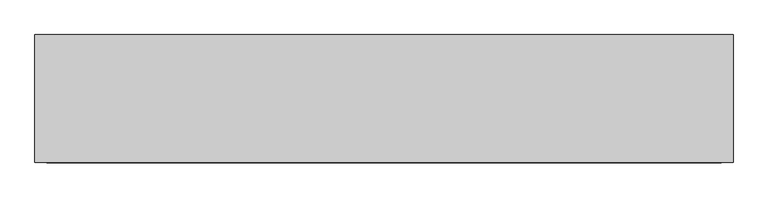
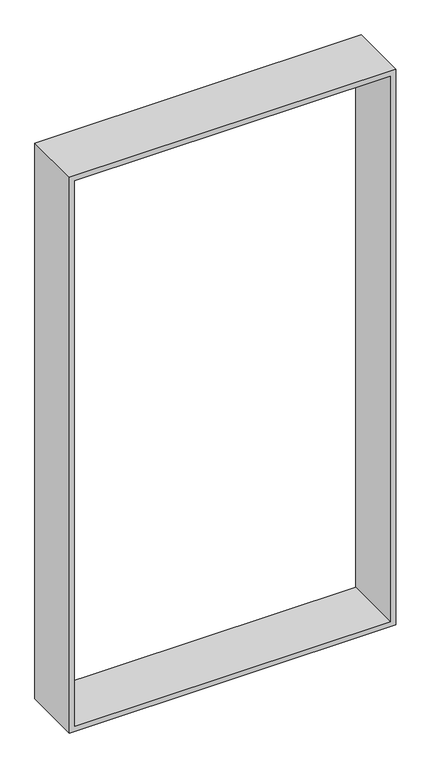
"""IFC4 building model written with IfcOpenShell, lengths in millimetres: proxy geometry."""

from ifc_helpers import new_model, si_unit, frame, origin, place, context, project, spatial, polyline, outline, extrude, source, transform, mapped, element, save


def generic_models_83df59d5(model_context):
    return source(origin(), model_context, "Body", "SweptSolid", [
        extrude(outline(polyline([(2700.0, 0.0), (2700.0, -1500.0), (0.0, -1500.0), (0.0, 0.0), (2700.0, 0.0)]), holes=[polyline([(2675.0, -25.0), (25.0, -25.0), (25.0, -1475.0), (2675.0, -1475.0), (2675.0, -25.0)])]), frame((0.0, 0.0, 0.0), z_axis=(0.0, 1.0, 0.0), x_axis=(0.0, 0.0, 1.0)), (0.0, 0.0, 1.0), 275.0),
    ])


if __name__ == "__main__":
    model = new_model("IFC4")
    model_context = context("Model", 3, world=origin())
    ifc_project = project(units=[si_unit("LENGTHUNIT", "METRE", prefix="MILLI")], contexts=[model_context])
    site = spatial("IfcSite", under=ifc_project)
    building = spatial("IfcBuilding", under=site)
    placement = place(None, origin())
    generic_models_shape = generic_models_83df59d5(model_context)
    element("IfcBuildingElementProxy", 1, Name="Generic Models", at=placement, inside=building, context=model_context, shape_type="MappedRepresentation", body=[
        mapped(generic_models_shape, transform((0.0, 0.0, 0.0), x_axis=(1.0, 0.0, 0.0), y_axis=(0.0, 1.0, 0.0), z_axis=(0.0, 0.0, 1.0))),
    ])
    save(model, "model.ifc")
